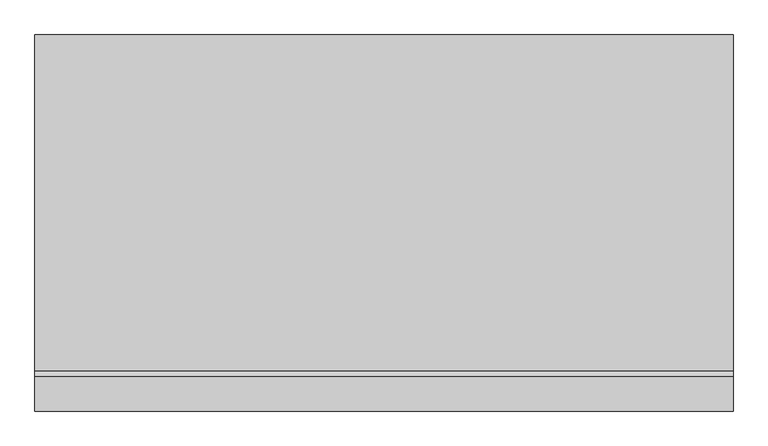
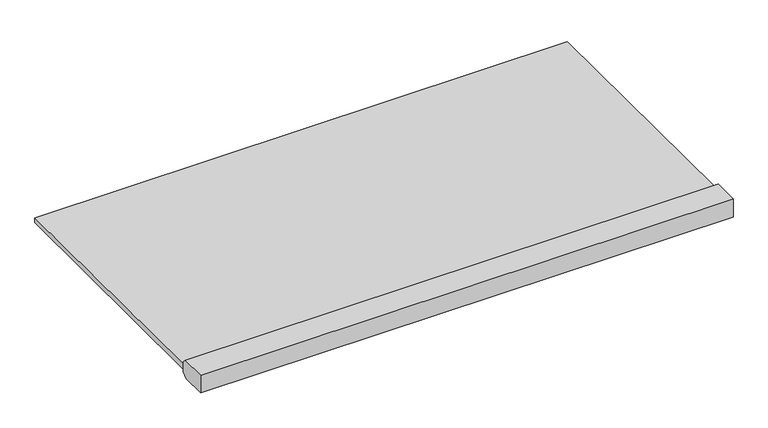
"""IFC4 building model written with IfcOpenShell, lengths in millimetres: proxy geometry."""

from ifc_helpers import new_model, si_unit, frame, origin, place, context, project, spatial, polyline, outline, extrude, source, transform, mapped, element, save


def generic_models_aa495419(model_context):
    return source(origin(), model_context, "Body", "SweptSolid", [
        extrude(outline(polyline([(70.8622239, 0.0), (0.0, 0.0), (0.0, 54.0), (76.0, 54.0), (88.0, 42.0), (88.0, 12.0), (70.8622239, 0.0)])), frame((-775.0, 0.0, 0.0), z_axis=(1.0, 0.0, 0.0), x_axis=(0.0, 1.0, 0.0)), (0.0, 0.0, 1.0), 1550.0),
        extrude(outline(polyline([(835.0, 33.0513158), (835.0, 19.0), (88.0, 19.0), (88.0, 36.0), (835.0, 33.0513158)])), frame((-775.0, 0.0, 0.0), z_axis=(1.0, 0.0, 0.0), x_axis=(0.0, 1.0, 0.0)), (0.0, 0.0, 1.0), 1550.0),
    ])


if __name__ == "__main__":
    model = new_model("IFC4")
    model_context = context("Model", 3, world=origin())
    ifc_project = project(units=[si_unit("LENGTHUNIT", "METRE", prefix="MILLI")], contexts=[model_context])
    site = spatial("IfcSite", under=ifc_project)
    building = spatial("IfcBuilding", under=site)
    placement = place(None, origin())
    generic_models_shape = generic_models_aa495419(model_context)
    element("IfcBuildingElementProxy", 1, Name="Generic Models", at=placement, inside=building, context=model_context, shape_type="MappedRepresentation", body=[
        mapped(generic_models_shape, transform((0.0, 0.0, 0.0), x_axis=(1.0, 0.0, 0.0), y_axis=(0.0, 1.0, 0.0), z_axis=(0.0, 0.0, 1.0))),
    ])
    save(model, "model.ifc")
